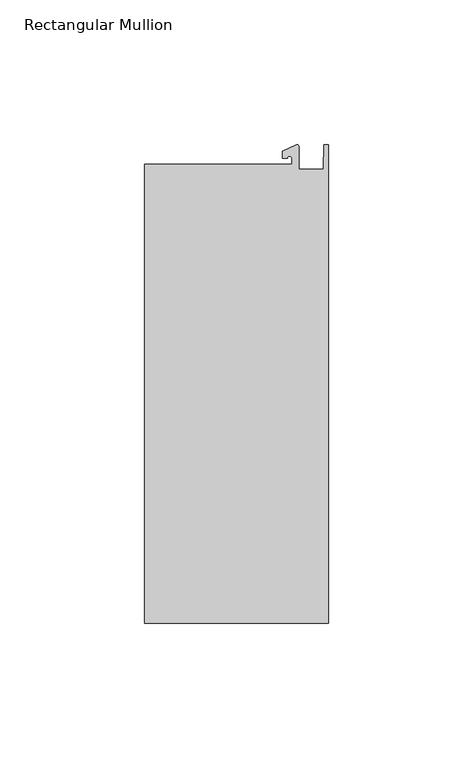
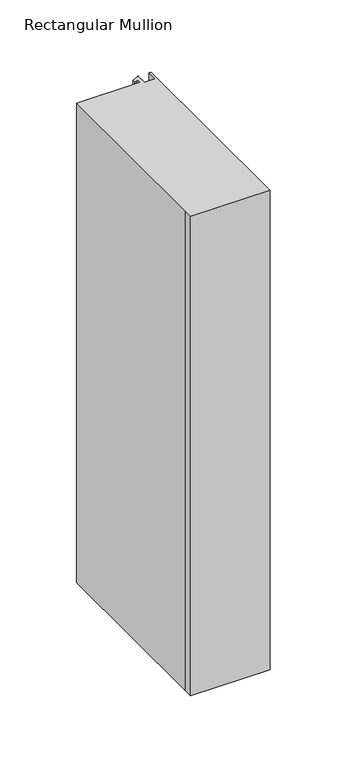
"""IFC4 building model written with IfcOpenShell, lengths in millimetres: member geometry, Rectangular Mullion."""

from ifc_helpers import new_model, si_unit, point, frame, frame_2d, origin, place, context, project, spatial, polyline, circle_curve, trimmed, segment, composite_curve, outline, extrude, source, transform, mapped, element, save


def rectangular_mullion_461bfbdb(model_context):
    return source(origin(), model_context, "Body", "SweptSolid", [
        extrude(outline(composite_curve([segment(polyline([(-12.6173814, 25.5984375), (-12.6173814, 27.6780632)]), True, "CONTINUOUS"), segment(trimmed(circle_curve(frame_2d((-13.4111314, 27.6780632)), 0.79375), [point((-12.6173814, 27.6780632))], [point((-14.2048814, 27.6780632))], True, "CARTESIAN"), True, "CONTINUOUS"), segment(polyline([(-14.2048814, 27.6780632), (-15.7923814, 27.6780632), (-15.7923814, 30.0402625), (-10.9524715, 32.2971496)]), True, "CONTINUOUS"), segment(trimmed(circle_curve(frame_2d((-10.7377814, 31.8367452)), 0.508), [point((-10.9524715, 32.2971496))], [point((-10.2297814, 31.8367452))], False, "CARTESIAN"), True, "CONTINUOUS"), segment(polyline([(-10.2297814, 31.8367452), (-10.2297814, 23.9227662), (-1.7144124, 23.9227662), (-1.5658966, 32.288874), (0.0, 32.288874), (0.0, -132.822512), (-63.5, -132.822512), (-63.5, -125.075512), (-63.5, 25.5984375), (-12.6173814, 25.5984375)]), True, "CONTINUOUS")], self_intersect=False)), frame((0.0, 0.0, -406.4), z_axis=(0.0, 0.0, 1.0), x_axis=(1.0, 0.0, 0.0)), (0.0, 0.0, 1.0), 406.4),
    ])


if __name__ == "__main__":
    model = new_model("IFC4")
    model_context = context("Model", 3, world=origin())
    ifc_project = project(units=[si_unit("LENGTHUNIT", "METRE", prefix="MILLI")], contexts=[model_context])
    site = spatial("IfcSite", under=ifc_project)
    building = spatial("IfcBuilding", under=site)
    placement = place(None, origin())
    rectangular_mullion_shape = rectangular_mullion_461bfbdb(model_context)
    element("IfcMember", 1, ObjectType="Rectangular Mullion", at=placement, inside=building, context=model_context, shape_type="MappedRepresentation", body=[
        mapped(rectangular_mullion_shape, transform((0.0, 0.0, 0.0), x_axis=(1.0, 0.0, 0.0), y_axis=(0.0, 1.0, 0.0), z_axis=(0.0, 0.0, 1.0))),
    ])
    save(model, "model.ifc")
